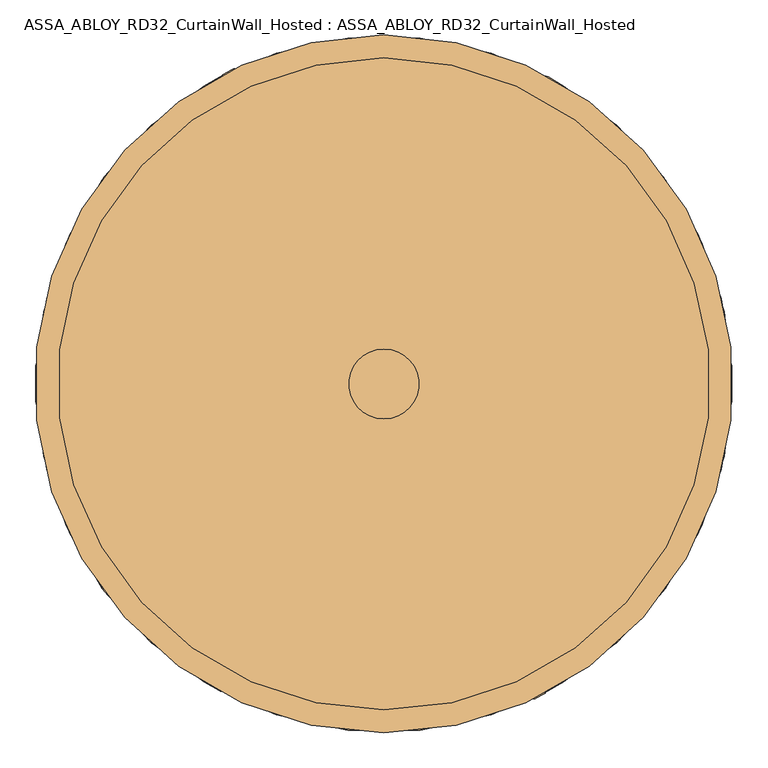
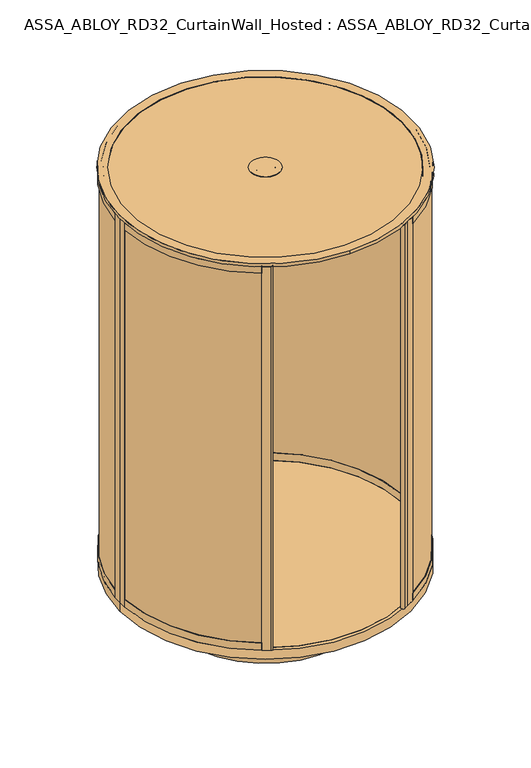
"""IFC4 building model written with IfcOpenShell, lengths in millimetres: door geometry, ASSA_ABLOY_RD32_CurtainWall_Hosted : ASSA_ABLOY_RD32_CurtainWall_Hosted."""

from ifc_helpers import new_model, si_unit, point, frame, frame_2d, origin, origin_with_axes, origin_2d, place, context, project, spatial, polyline, circle_curve, trimmed, segment, composite_curve, outline, extrude, source, transform, mapped, element, save
from ifc_brep_helpers import plane_surface, cylinder_surface, revolved_surface, advanced_brep


def assa_abloy_rd32_curtainwall_hosted_assa_abloy_rd32_2c2c71b7(model_context):
    return source(origin(), model_context, "Body", "SolidModel", [
        extrude(outline(composite_curve([segment(trimmed(circle_curve(origin_2d(), 989.0), [point((494.5, 856.4991243))], [point((988.4436781, 33.1676829))], False, "CARTESIAN"), True, "CONTINUOUS"), segment(polyline([(988.4436781, 33.1676829), (978.4493032, 32.8323171)]), True, "CONTINUOUS"), segment(trimmed(circle_curve(origin_2d(), 979.0), [point((978.4493032, 32.8323171))], [point((489.5, 847.8388703))], True, "CARTESIAN"), True, "CONTINUOUS"), segment(polyline([(489.5, 847.8388703), (494.5, 856.4991243)]), True, "CONTINUOUS")], self_intersect=False)), frame((0.0, 0.0, 33.0), z_axis=(0.0, 0.0, 1.0), x_axis=(1.0, 0.0, 0.0)), (0.0, 0.0, 1.0), 2715.0),
        extrude(outline(composite_curve([segment(trimmed(circle_curve(origin_2d(), 989.0), [point((988.4436781, -33.1676829))], [point((494.5, -856.4991243))], False, "CARTESIAN"), True, "CONTINUOUS"), segment(polyline([(494.5, -856.4991243), (489.5, -847.8388703)]), True, "CONTINUOUS"), segment(trimmed(circle_curve(origin_2d(), 979.0), [point((489.5, -847.8388703))], [point((978.4493032, -32.8323171))], True, "CARTESIAN"), True, "CONTINUOUS"), segment(polyline([(978.4493032, -32.8323171), (988.4436781, -33.1676829)]), True, "CONTINUOUS")], self_intersect=False)), frame((0.0, 0.0, 33.0), z_axis=(0.0, 0.0, 1.0), x_axis=(1.0, 0.0, 0.0)), (0.0, 0.0, 1.0), 2715.0),
        extrude(outline(composite_curve([segment(polyline([(496.9998179, -860.828936), (514.320326, -850.828936), (515.8201439, -853.4266969), (461.2605435, -884.9266969), (461.760545, -885.7927249), (435.7781998, -900.7936389)]), True, "CONTINUOUS"), segment(trimmed(circle_curve(frame_2d((428.7783803, -888.669596)), 13.9996389), [point((435.7781998, -900.7936389))], [point((421.7785609, -876.545553))], False, "CARTESIAN"), True, "CONTINUOUS"), segment(polyline([(421.7785609, -876.545553), (447.7609061, -861.544639), (448.2609076, -862.4106671), (502.8205081, -830.9106671), (504.320326, -833.5084279), (486.9998179, -843.5084279), (496.9998179, -860.828936)]), True, "CONTINUOUS")], self_intersect=False)), origin_with_axes(), (0.0, 0.0, 1.0), 2778.0),
        extrude(outline(composite_curve([segment(polyline([(496.9998179, 860.828936), (486.9998179, 843.5084279), (504.320326, 833.5084279), (502.8205081, 830.9106671), (457.7868716, 856.9108492)]), True, "CONTINUOUS"), segment(trimmed(circle_curve(frame_2d((464.2866895, 868.1688641)), 12.9996359), [point((457.7868716, 856.9108492))], [point((470.7865074, 879.426879))], False, "CARTESIAN"), True, "CONTINUOUS"), segment(polyline([(470.7865074, 879.426879), (515.8201439, 853.4266969), (514.320326, 850.828936), (496.9998179, 860.828936)]), True, "CONTINUOUS")], self_intersect=False)), origin_with_axes(), (0.0, 0.0, 1.0), 2778.0),
        advanced_brep(
        [(502.2711247, 831.0022366, 0.0), (502.2711247, 831.0022366, 53.0), (503.8229408, 833.5696998, 53.0), (503.8229408, 833.5696998, 33.0), (514.168381, 850.6861207, 33.0), (514.168381, 850.6861207, 53.0), (515.7201971, 853.2535838, 53.0), (515.7201971, 853.2535838, 0.0), (969.6270403, 51.6178536, 0.0), (995.5902772, 53.0, 0.0), (995.5902772, 53.0, 53.0), (992.5945191, 52.8405216, 53.0), (992.5945191, 52.8405216, 33.0), (972.6227984, 51.777332, 33.0), (972.6227984, 51.777332, 53.0), (969.6270403, 51.6178536, 53.0)],
        [
            (0, 1),
            (1, 2),
            (2, 3),
            (3, 4),
            (4, 5),
            (5, 6),
            (6, 7),
            (7, 0),
            (8, 9),
            (9, 10),
            (10, 11),
            (11, 12),
            (12, 13),
            (13, 14),
            (14, 15),
            (15, 8),
            (15, 1, circle_curve(frame((0.0, 0.0, 53.0), z_axis=(0.0, 0.0, 1.0), x_axis=(0.5172720131197738, 0.8558210469736162, 0.0)), 971.0)),
            (0, 8, circle_curve(frame((0.0, 0.0, 0.0), z_axis=(0.0, 0.0, -1.0), x_axis=(0.5172720131197738, 0.8558210469736162, 0.0)), 971.0)),
            (14, 2, circle_curve(frame((0.0, 0.0, 53.0), z_axis=(0.0, 0.0, 1.0), x_axis=(0.5172720131197738, 0.8558210469736162, 0.0)), 974.0)),
            (13, 3, circle_curve(frame((0.0, 0.0, 33.0), z_axis=(0.0, 0.0, 1.0), x_axis=(0.5172720131197738, 0.8558210469736162, 0.0)), 974.0)),
            (12, 4, circle_curve(frame((0.0, 0.0, 33.0), z_axis=(0.0, 0.0, 1.0), x_axis=(0.5172720131197738, 0.8558210469736162, 0.0)), 994.0)),
            (11, 5, circle_curve(frame((0.0, 0.0, 53.0), z_axis=(0.0, 0.0, 1.0), x_axis=(0.5172720131197738, 0.8558210469736162, 0.0)), 994.0)),
            (10, 6, circle_curve(frame((0.0, 0.0, 53.0), z_axis=(0.0, 0.0, 1.0), x_axis=(0.5172720131197738, 0.8558210469736162, 0.0)), 997.0)),
            (9, 7, circle_curve(frame((0.0, 0.0, 0.0), z_axis=(0.0, 0.0, 1.0), x_axis=(0.5172720131197738, 0.8558210469736162, 0.0)), 997.0)),
        ],
        [
            plane_surface(frame((515.7201971, 853.2535838, 0.0), z_axis=(-0.8558210469736162, 0.5172720131197739, 0.0), x_axis=(0.0, 0.0, 1.0))),
            plane_surface(frame((995.5902772, 53.0, 0.0), z_axis=(0.05315947843547908, -0.9985860352781166, 0.0), x_axis=(0.0, 0.0, 1.0))),
            revolved_surface(polyline([(502.2711247393003, 831.0022366113812, 0.0), (502.2711247393003, 831.0022366113812, 53.0)]), (0.0, 0.0, 0.0), (0.0, 0.0, -1.0)),
            plane_surface(frame((0.0, 0.0, 53.0), z_axis=(0.0, 0.0, 1.0000000000000002), x_axis=(0.5172720131197739, 0.8558210469736163, 0.0))),
            cylinder_surface(frame((0.0, 0.0, 0.0), z_axis=(0.0, 0.0, -1.0), x_axis=(0.5172720131197738, 0.8558210469736162, 0.0)), 974.0),
            plane_surface(frame((0.0, 0.0, 33.0), z_axis=(0.0, 0.0, 1.0000000000000002), x_axis=(0.5172720131197739, 0.8558210469736163, 0.0))),
            revolved_surface(polyline([(514.1683810410551, 850.6861206917745, 33.0), (514.1683810410551, 850.6861206917745, 53.0)]), (0.0, 0.0, 0.0), (0.0, 0.0, -1.0)),
            cylinder_surface(frame((0.0, 0.0, 0.0), z_axis=(0.0, 0.0, -1.0), x_axis=(0.5172720131197738, 0.8558210469736162, 0.0)), 997.0),
            plane_surface(frame((0.0, 0.0, 0.0), z_axis=(0.0, 0.0, -1.0000000000000002), x_axis=(0.5172720131197739, 0.8558210469736163, 0.0))),
        ],
        [
            (0, [[1, 2, 3, 4, 5, 6, 7, 8]]),
            (1, [[9, 10, 11, 12, 13, 14, 15, 16]]),
            (2, [[17, -1, 18, -16]]),
            (3, [[19, -2, -17, -15]]),
            (4, [[20, -3, -19, -14]]),
            (5, [[21, -4, -20, -13]]),
            (6, [[22, -5, -21, -12]]),
            (3, [[23, -6, -22, -11]]),
            (7, [[24, -7, -23, -10]]),
            (8, [[-18, -8, -24, -9]]),
        ],
    ),
        advanced_brep(
        [(969.6270403, 51.6178536, 2778.0), (969.6270403, 51.6178536, 2728.0), (972.6227984, 51.777332, 2728.0), (972.6227984, 51.777332, 2748.0), (992.5945191, 52.8405216, 2748.0), (992.5945191, 52.8405216, 2728.0), (995.5902772, 53.0, 2728.0), (995.5902772, 53.0, 2778.0), (502.2711247, 831.0022366, 2778.0), (515.7201971, 853.2535838, 2778.0), (515.7201971, 853.2535838, 2728.0), (514.168381, 850.6861207, 2728.0), (514.168381, 850.6861207, 2748.0), (503.8229408, 833.5696997, 2748.0), (503.8229408, 833.5696997, 2728.0), (502.2711247, 831.0022366, 2728.0)],
        [
            (0, 1),
            (1, 2),
            (2, 3),
            (3, 4),
            (4, 5),
            (5, 6),
            (6, 7),
            (7, 0),
            (8, 9),
            (9, 10),
            (10, 11),
            (11, 12),
            (12, 13),
            (13, 14),
            (14, 15),
            (15, 8),
            (15, 1, circle_curve(frame((0.0, 0.0, 2728.0), z_axis=(0.0, 0.0, -1.0), x_axis=(0.9985860352779897, 0.05315947843786122, 0.0)), 971.0)),
            (0, 8, circle_curve(frame((0.0, 0.0, 2778.0), z_axis=(0.0, 0.0, 1.0), x_axis=(0.9985860352779897, 0.05315947843786122, 0.0)), 971.0)),
            (14, 2, circle_curve(frame((0.0, 0.0, 2728.0), z_axis=(0.0, 0.0, -1.0), x_axis=(0.9985860352779897, 0.05315947843786122, 0.0)), 974.0)),
            (9, 7, circle_curve(frame((0.0, 0.0, 2778.0), z_axis=(0.0, 0.0, -1.0), x_axis=(0.9985860352779897, 0.05315947843786122, 0.0)), 997.0)),
            (6, 10, circle_curve(frame((0.0, 0.0, 2728.0), z_axis=(0.0, 0.0, 1.0), x_axis=(0.9985860352779897, 0.05315947843786122, 0.0)), 997.0)),
            (13, 3, circle_curve(frame((0.0, 0.0, 2748.0), z_axis=(0.0, 0.0, -1.0), x_axis=(0.9985860352779897, 0.05315947843786122, 0.0)), 974.0)),
            (12, 4, circle_curve(frame((0.0, 0.0, 2748.0), z_axis=(0.0, 0.0, -1.0), x_axis=(0.9985860352779897, 0.05315947843786122, 0.0)), 994.0)),
            (11, 5, circle_curve(frame((0.0, 0.0, 2728.0), z_axis=(0.0, 0.0, -1.0), x_axis=(0.9985860352779897, 0.05315947843786122, 0.0)), 994.0)),
        ],
        [
            plane_surface(frame((995.5902772, 53.0, 2778.0), z_axis=(0.053159478437861236, -0.9985860352779897, 0.0), x_axis=(0.0, 0.0, 1.0))),
            plane_surface(frame((515.7201971, 853.2535838, 2778.0), z_axis=(-0.855821046973346, 0.5172720131202209, 0.0), x_axis=(0.0, 0.0, 1.0))),
            revolved_surface(polyline([(969.627040254928, 51.617853563163244, 2778.0), (969.627040254928, 51.617853563163244, 2728.0)]), (0.0, 0.0, 2778.0), (0.0, 0.0, 1.0)),
            plane_surface(frame((0.0, 0.0, 2728.0), z_axis=(0.0, 0.0, -1.0), x_axis=(0.9985860352779897, 0.05315947843786122, 0.0))),
            cylinder_surface(frame((0.0, 0.0, 2778.0), z_axis=(0.0, 0.0, 1.0), x_axis=(0.9985860352779897, 0.05315947843786122, 0.0)), 997.0),
            plane_surface(frame((0.0, 0.0, 2778.0), z_axis=(0.0, 0.0, 1.0), x_axis=(0.9985860352779897, 0.05315947843786122, 0.0))),
            cylinder_surface(frame((0.0, 0.0, 2778.0), z_axis=(0.0, 0.0, 1.0), x_axis=(0.9985860352779897, 0.05315947843786122, 0.0)), 974.0),
            plane_surface(frame((0.0, 0.0, 2748.0), z_axis=(0.0, 0.0, -1.0), x_axis=(0.9985860352779897, 0.05315947843786122, 0.0))),
            revolved_surface(polyline([(992.5945190663218, 52.840521567234056, 2748.0), (992.5945190663218, 52.840521567234056, 2728.0)]), (0.0, 0.0, 2778.0), (0.0, 0.0, 1.0)),
        ],
        [
            (0, [[1, 2, 3, 4, 5, 6, 7, 8]]),
            (1, [[9, 10, 11, 12, 13, 14, 15, 16]]),
            (2, [[17, -1, 18, -16]]),
            (3, [[19, -2, -17, -15]]),
            (4, [[20, -7, 21, -10]]),
            (5, [[-18, -8, -20, -9]]),
            (6, [[22, -3, -19, -14]]),
            (7, [[23, -4, -22, -13]]),
            (8, [[24, -5, -23, -12]]),
            (3, [[-21, -6, -24, -11]]),
        ],
    ),
        extrude(outline(polyline([(997.0, 0.0), (971.0, 0.0), (971.0, 53.0), (974.0, 53.0), (974.0, 33.0), (994.0, 33.0), (994.0, 53.0), (997.0, 53.0), (997.0, 0.0)])), origin_with_axes(), (0.0, 0.0, 1.0), 2778.0),
        advanced_brep(
        [(502.2711247, -831.0022366, 0.0), (515.7201971, -853.2535838, 0.0), (515.7201971, -853.2535838, 53.0), (514.168381, -850.6861207, 53.0), (514.168381, -850.6861207, 33.0), (503.8229408, -833.5696998, 33.0), (503.8229408, -833.5696998, 53.0), (502.2711247, -831.0022366, 53.0), (969.6270403, -51.6178536, 0.0), (969.6270403, -51.6178536, 53.0), (972.6227984, -51.777332, 53.0), (972.6227984, -51.777332, 33.0), (992.5945191, -52.8405216, 33.0), (992.5945191, -52.8405216, 53.0), (995.5902772, -53.0, 53.0), (995.5902772, -53.0, 0.0)],
        [
            (0, 1),
            (1, 2),
            (2, 3),
            (3, 4),
            (4, 5),
            (5, 6),
            (6, 7),
            (7, 0),
            (8, 9),
            (9, 10),
            (10, 11),
            (11, 12),
            (12, 13),
            (13, 14),
            (14, 15),
            (15, 8),
            (8, 0, circle_curve(frame((0.0, 0.0, 0.0), z_axis=(0.0, 0.0, -1.0), x_axis=(0.5172720131195371, -0.8558210469737593, 0.0)), 971.0)),
            (7, 9, circle_curve(frame((0.0, 0.0, 53.0), z_axis=(0.0, 0.0, 1.0), x_axis=(0.5172720131195371, -0.8558210469737593, 0.0)), 971.0)),
            (6, 10, circle_curve(frame((0.0, 0.0, 53.0), z_axis=(0.0, 0.0, 1.0), x_axis=(0.5172720131195371, -0.8558210469737593, 0.0)), 974.0)),
            (5, 11, circle_curve(frame((0.0, 0.0, 33.0), z_axis=(0.0, 0.0, 1.0), x_axis=(0.5172720131195371, -0.8558210469737593, 0.0)), 974.0)),
            (4, 12, circle_curve(frame((0.0, 0.0, 33.0), z_axis=(0.0, 0.0, 1.0), x_axis=(0.5172720131195371, -0.8558210469737593, 0.0)), 994.0)),
            (3, 13, circle_curve(frame((0.0, 0.0, 53.0), z_axis=(0.0, 0.0, 1.0), x_axis=(0.5172720131195371, -0.8558210469737593, 0.0)), 994.0)),
            (2, 14, circle_curve(frame((0.0, 0.0, 53.0), z_axis=(0.0, 0.0, 1.0), x_axis=(0.5172720131195371, -0.8558210469737593, 0.0)), 997.0)),
            (1, 15, circle_curve(frame((0.0, 0.0, 0.0), z_axis=(0.0, 0.0, 1.0), x_axis=(0.5172720131195371, -0.8558210469737593, 0.0)), 997.0)),
        ],
        [
            plane_surface(frame((515.7201971, -853.2535838, 0.0), z_axis=(-0.8558210469737594, -0.5172720131195372, 0.0), x_axis=(0.0, 0.0, 1.0))),
            plane_surface(frame((995.5902772, -53.0, 0.0), z_axis=(0.053159478435714, 0.9985860352781041, 0.0), x_axis=(0.0, 0.0, 1.0))),
            revolved_surface(polyline([(502.2711247390705, -831.0022366115203, 53.0), (502.2711247390705, -831.0022366115203, 0.0)]), (0.0, 0.0, 0.0), (0.0, 0.0, 1.0)),
            plane_surface(frame((0.0, 0.0, 53.0), z_axis=(0.0, 0.0, 1.0), x_axis=(0.5172720131195371, -0.8558210469737593, 0.0))),
            cylinder_surface(frame((0.0, 0.0, 0.0), z_axis=(0.0, 0.0, 1.0), x_axis=(0.5172720131195371, -0.8558210469737593, 0.0)), 974.0),
            plane_surface(frame((0.0, 0.0, 33.0), z_axis=(0.0, 0.0, 1.0), x_axis=(0.5172720131195371, -0.8558210469737593, 0.0))),
            revolved_surface(polyline([(514.1683810408199, -850.6861206919167, 53.0), (514.1683810408199, -850.6861206919167, 33.0)]), (0.0, 0.0, 0.0), (0.0, 0.0, 1.0)),
            cylinder_surface(frame((0.0, 0.0, 0.0), z_axis=(0.0, 0.0, 1.0), x_axis=(0.5172720131195371, -0.8558210469737593, 0.0)), 997.0),
            plane_surface(frame((0.0, 0.0, 0.0), z_axis=(0.0, 0.0, -1.0), x_axis=(0.5172720131195371, -0.8558210469737593, 0.0))),
        ],
        [
            (0, [[1, 2, 3, 4, 5, 6, 7, 8]]),
            (1, [[9, 10, 11, 12, 13, 14, 15, 16]]),
            (2, [[17, -8, 18, -9]]),
            (3, [[-18, -7, 19, -10]]),
            (4, [[-19, -6, 20, -11]]),
            (5, [[-20, -5, 21, -12]]),
            (6, [[-21, -4, 22, -13]]),
            (3, [[-22, -3, 23, -14]]),
            (7, [[-23, -2, 24, -15]]),
            (8, [[-24, -1, -17, -16]]),
        ],
    ),
        advanced_brep(
        [(969.6270403, -51.6178536, 2778.0), (995.5902772, -53.0, 2778.0), (995.5902772, -53.0, 2728.0), (992.5945191, -52.8405216, 2728.0), (992.5945191, -52.8405216, 2748.0), (972.6227984, -51.777332, 2748.0), (972.6227984, -51.777332, 2728.0), (969.6270403, -51.6178536, 2728.0), (502.2711247, -831.0022366, 2778.0), (502.2711247, -831.0022366, 2728.0), (503.8229408, -833.5696998, 2728.0), (503.8229408, -833.5696998, 2748.0), (514.168381, -850.6861207, 2748.0), (514.168381, -850.6861207, 2728.0), (515.7201971, -853.2535838, 2728.0), (515.7201971, -853.2535838, 2778.0)],
        [
            (0, 1),
            (1, 2),
            (2, 3),
            (3, 4),
            (4, 5),
            (5, 6),
            (6, 7),
            (7, 0),
            (8, 9),
            (9, 10),
            (10, 11),
            (11, 12),
            (12, 13),
            (13, 14),
            (14, 15),
            (15, 8),
            (8, 0, circle_curve(frame((0.0, 0.0, 2778.0), z_axis=(0.0, 0.0, 1.0), x_axis=(0.998586035278285, -0.05315947843231441, 0.0)), 971.0)),
            (7, 9, circle_curve(frame((0.0, 0.0, 2728.0), z_axis=(0.0, 0.0, -1.0), x_axis=(0.998586035278285, -0.05315947843231441, 0.0)), 971.0)),
            (6, 10, circle_curve(frame((0.0, 0.0, 2728.0), z_axis=(0.0, 0.0, -1.0), x_axis=(0.998586035278285, -0.05315947843231441, 0.0)), 974.0)),
            (14, 2, circle_curve(frame((0.0, 0.0, 2728.0), z_axis=(0.0, 0.0, 1.0), x_axis=(0.998586035278285, -0.05315947843231441, 0.0)), 997.0)),
            (1, 15, circle_curve(frame((0.0, 0.0, 2778.0), z_axis=(0.0, 0.0, -1.0), x_axis=(0.998586035278285, -0.05315947843231441, 0.0)), 997.0)),
            (5, 11, circle_curve(frame((0.0, 0.0, 2748.0), z_axis=(0.0, 0.0, -1.0), x_axis=(0.998586035278285, -0.05315947843231441, 0.0)), 974.0)),
            (4, 12, circle_curve(frame((0.0, 0.0, 2748.0), z_axis=(0.0, 0.0, -1.0), x_axis=(0.998586035278285, -0.05315947843231441, 0.0)), 994.0)),
            (3, 13, circle_curve(frame((0.0, 0.0, 2728.0), z_axis=(0.0, 0.0, -1.0), x_axis=(0.998586035278285, -0.05315947843231441, 0.0)), 994.0)),
        ],
        [
            plane_surface(frame((995.5902772, -53.0, 2778.0), z_axis=(0.053159478432314444, 0.998586035278285, 0.0), x_axis=(0.0, 0.0, 1.0))),
            plane_surface(frame((515.7201971, -853.2535838, 2778.0), z_axis=(-0.8558210469721426, -0.517272013122212, 0.0), x_axis=(0.0, 0.0, 1.0))),
            revolved_surface(polyline([(969.6270402552148, -51.617853557777295, 2728.0), (969.6270402552148, -51.617853557777295, 2778.0)]), (0.0, 0.0, 2778.0), (0.0, 0.0, -1.0)),
            plane_surface(frame((0.0, 0.0, 2728.0), z_axis=(0.0, 0.0, -1.0), x_axis=(0.998586035278285, -0.05315947843231441, 0.0))),
            cylinder_surface(frame((0.0, 0.0, 2778.0), z_axis=(0.0, 0.0, -1.0), x_axis=(0.998586035278285, -0.05315947843231441, 0.0)), 997.0),
            plane_surface(frame((0.0, 0.0, 2778.0), z_axis=(0.0, 0.0, 1.0), x_axis=(0.998586035278285, -0.05315947843231441, 0.0))),
            cylinder_surface(frame((0.0, 0.0, 2778.0), z_axis=(0.0, 0.0, -1.0), x_axis=(0.998586035278285, -0.05315947843231441, 0.0)), 974.0),
            plane_surface(frame((0.0, 0.0, 2748.0), z_axis=(0.0, 0.0, -1.0), x_axis=(0.998586035278285, -0.05315947843231441, 0.0))),
            revolved_surface(polyline([(992.5945190666154, -52.84052156172052, 2728.0), (992.5945190666154, -52.84052156172052, 2748.0)]), (0.0, 0.0, 2778.0), (0.0, 0.0, -1.0)),
        ],
        [
            (0, [[1, 2, 3, 4, 5, 6, 7, 8]]),
            (1, [[9, 10, 11, 12, 13, 14, 15, 16]]),
            (2, [[17, -8, 18, -9]]),
            (3, [[-18, -7, 19, -10]]),
            (4, [[20, -2, 21, -15]]),
            (5, [[-21, -1, -17, -16]]),
            (6, [[-19, -6, 22, -11]]),
            (7, [[-22, -5, 23, -12]]),
            (8, [[-23, -4, 24, -13]]),
            (3, [[-24, -3, -20, -14]]),
        ],
    ),
        extrude(outline(polyline([(997.0, 0.0), (997.0, -53.0), (994.0, -53.0), (994.0, -33.0), (974.0, -33.0), (974.0, -53.0), (971.0, -53.0), (971.0, 0.0), (997.0, 0.0)])), origin_with_axes(), (0.0, 0.0, 1.0), 2778.0),
        extrude(outline(composite_curve([segment(trimmed(circle_curve(origin_2d(), 979.0), [point((-489.5, 847.8388703))], [point((-979.0, 0.0))], True, "CARTESIAN"), True, "CONTINUOUS"), segment(polyline([(-979.0, 0.0), (-989.0, 0.0)]), True, "CONTINUOUS"), segment(trimmed(circle_curve(origin_2d(), 989.0), [point((-989.0, 0.0))], [point((-494.5, 856.4991243))], False, "CARTESIAN"), True, "CONTINUOUS"), segment(polyline([(-494.5, 856.4991243), (-489.5, 847.8388703)]), True, "CONTINUOUS")], self_intersect=False)), frame((0.0, 0.0, 33.0), z_axis=(0.0, 0.0, 1.0), x_axis=(1.0, 0.0, 0.0)), (0.0, 0.0, 1.0), 2715.0),
        advanced_brep(
        [(-502.2711247, 831.0022366, 0.0), (-515.7201971, 853.2535838, 0.0), (-515.7201971, 853.2535838, 53.0), (-514.168381, 850.6861207, 53.0), (-514.168381, 850.6861207, 33.0), (-503.8229408, 833.5696998, 33.0), (-503.8229408, 833.5696998, 53.0), (-502.2711247, 831.0022366, 53.0), (-969.6270403, 51.6178536, 0.0), (-969.6270403, 51.6178536, 53.0), (-972.6227984, 51.777332, 53.0), (-972.6227984, 51.777332, 33.0), (-992.5945191, 52.8405216, 33.0), (-992.5945191, 52.8405216, 53.0), (-995.5902772, 53.0, 53.0), (-995.5902772, 53.0, 0.0)],
        [
            (0, 1),
            (1, 2),
            (2, 3),
            (3, 4),
            (4, 5),
            (5, 6),
            (6, 7),
            (7, 0),
            (8, 9),
            (9, 10),
            (10, 11),
            (11, 12),
            (12, 13),
            (13, 14),
            (14, 15),
            (15, 8),
            (8, 0, circle_curve(frame((0.0, 0.0, 0.0), z_axis=(0.0, 0.0, -1.0), x_axis=(-0.5172720131199363, 0.8558210469735179, 0.0)), 971.0)),
            (7, 9, circle_curve(frame((0.0, 0.0, 53.0), z_axis=(0.0, 0.0, 1.0), x_axis=(-0.5172720131199363, 0.8558210469735179, 0.0)), 971.0)),
            (6, 10, circle_curve(frame((0.0, 0.0, 53.0), z_axis=(0.0, 0.0, 1.0), x_axis=(-0.5172720131199363, 0.8558210469735179, 0.0)), 974.0)),
            (5, 11, circle_curve(frame((0.0, 0.0, 33.0), z_axis=(0.0, 0.0, 1.0), x_axis=(-0.5172720131199363, 0.8558210469735179, 0.0)), 974.0)),
            (4, 12, circle_curve(frame((0.0, 0.0, 33.0), z_axis=(0.0, 0.0, 1.0), x_axis=(-0.5172720131199363, 0.8558210469735179, 0.0)), 994.0)),
            (3, 13, circle_curve(frame((0.0, 0.0, 53.0), z_axis=(0.0, 0.0, 1.0), x_axis=(-0.5172720131199363, 0.8558210469735179, 0.0)), 994.0)),
            (2, 14, circle_curve(frame((0.0, 0.0, 53.0), z_axis=(0.0, 0.0, 1.0), x_axis=(-0.5172720131199363, 0.8558210469735179, 0.0)), 997.0)),
            (1, 15, circle_curve(frame((0.0, 0.0, 0.0), z_axis=(0.0, 0.0, 1.0), x_axis=(-0.5172720131199363, 0.8558210469735179, 0.0)), 997.0)),
        ],
        [
            plane_surface(frame((-515.7201971, 853.2535838, 0.0), z_axis=(0.855821046973518, 0.5172720131199363, 0.0), x_axis=(0.0, 0.0, 1.0))),
            plane_surface(frame((-995.5902772, 53.0, 0.0), z_axis=(-0.0531594784350477, -0.9985860352781395, 0.0), x_axis=(0.0, 0.0, 1.0))),
            revolved_surface(polyline([(-502.2711247394582, 831.0022366112859, 53.0), (-502.2711247394582, 831.0022366112859, 0.0)]), (0.0, 0.0, 0.0), (0.0, 0.0, 1.0)),
            plane_surface(frame((0.0, 0.0, 53.0), z_axis=(0.0, 0.0, 1.0000000000000002), x_axis=(-0.5172720131199364, 0.855821046973518, 0.0))),
            cylinder_surface(frame((0.0, 0.0, 0.0), z_axis=(0.0, 0.0, 1.0), x_axis=(-0.5172720131199363, 0.8558210469735179, 0.0)), 974.0),
            plane_surface(frame((0.0, 0.0, 33.0), z_axis=(0.0, 0.0, 1.0000000000000002), x_axis=(-0.5172720131199364, 0.855821046973518, 0.0))),
            revolved_surface(polyline([(-514.1683810412167, 850.6861206916768, 53.0), (-514.1683810412167, 850.6861206916768, 33.0)]), (0.0, 0.0, 0.0), (0.0, 0.0, 1.0)),
            cylinder_surface(frame((0.0, 0.0, 0.0), z_axis=(0.0, 0.0, 1.0), x_axis=(-0.5172720131199363, 0.8558210469735179, 0.0)), 997.0),
            plane_surface(frame((0.0, 0.0, 0.0), z_axis=(0.0, 0.0, -1.0000000000000002), x_axis=(-0.5172720131199364, 0.855821046973518, 0.0))),
        ],
        [
            (0, [[1, 2, 3, 4, 5, 6, 7, 8]]),
            (1, [[9, 10, 11, 12, 13, 14, 15, 16]]),
            (2, [[17, -8, 18, -9]]),
            (3, [[-18, -7, 19, -10]]),
            (4, [[-19, -6, 20, -11]]),
            (5, [[-20, -5, 21, -12]]),
            (6, [[-21, -4, 22, -13]]),
            (3, [[-22, -3, 23, -14]]),
            (7, [[-23, -2, 24, -15]]),
            (8, [[-24, -1, -17, -16]]),
        ],
    ),
        advanced_brep(
        [(-969.6270403, 51.6178536, 2778.0), (-995.5902772, 53.0, 2778.0), (-995.5902772, 53.0, 2728.0), (-992.5945191, 52.8405216, 2728.0), (-992.5945191, 52.8405216, 2748.0), (-972.6227984, 51.777332, 2748.0), (-972.6227984, 51.777332, 2728.0), (-969.6270403, 51.6178536, 2728.0), (-502.2711247, 831.0022366, 2778.0), (-502.2711247, 831.0022366, 2728.0), (-503.8229408, 833.5696998, 2728.0), (-503.8229408, 833.5696998, 2748.0), (-514.168381, 850.6861207, 2748.0), (-514.168381, 850.6861207, 2728.0), (-515.7201971, 853.2535838, 2728.0), (-515.7201971, 853.2535838, 2778.0)],
        [
            (0, 1),
            (1, 2),
            (2, 3),
            (3, 4),
            (4, 5),
            (5, 6),
            (6, 7),
            (7, 0),
            (8, 9),
            (9, 10),
            (10, 11),
            (11, 12),
            (12, 13),
            (13, 14),
            (14, 15),
            (15, 8),
            (8, 0, circle_curve(frame((0.0, 0.0, 2778.0), z_axis=(0.0, 0.0, 1.0), x_axis=(-0.9985860352779593, 0.053159478438433744, 0.0)), 971.0)),
            (7, 9, circle_curve(frame((0.0, 0.0, 2728.0), z_axis=(0.0, 0.0, -1.0), x_axis=(-0.9985860352779593, 0.053159478438433744, 0.0)), 971.0)),
            (6, 10, circle_curve(frame((0.0, 0.0, 2728.0), z_axis=(0.0, 0.0, -1.0), x_axis=(-0.9985860352779593, 0.053159478438433744, 0.0)), 974.0)),
            (14, 2, circle_curve(frame((0.0, 0.0, 2728.0), z_axis=(0.0, 0.0, 1.0), x_axis=(-0.9985860352779593, 0.053159478438433744, 0.0)), 997.0)),
            (1, 15, circle_curve(frame((0.0, 0.0, 2778.0), z_axis=(0.0, 0.0, -1.0), x_axis=(-0.9985860352779593, 0.053159478438433744, 0.0)), 997.0)),
            (5, 11, circle_curve(frame((0.0, 0.0, 2748.0), z_axis=(0.0, 0.0, -1.0), x_axis=(-0.9985860352779593, 0.053159478438433744, 0.0)), 974.0)),
            (4, 12, circle_curve(frame((0.0, 0.0, 2748.0), z_axis=(0.0, 0.0, -1.0), x_axis=(-0.9985860352779593, 0.053159478438433744, 0.0)), 994.0)),
            (3, 13, circle_curve(frame((0.0, 0.0, 2728.0), z_axis=(0.0, 0.0, -1.0), x_axis=(-0.9985860352779593, 0.053159478438433744, 0.0)), 994.0)),
        ],
        [
            plane_surface(frame((-995.5902772, 53.0, 2778.0), z_axis=(-0.05315947843843367, -0.9985860352779593, 0.0), x_axis=(0.0, 0.0, 1.0))),
            plane_surface(frame((-515.7201971, 853.2535838, 2778.0), z_axis=(0.855821046975163, 0.5172720131172146, 0.0), x_axis=(0.0, 0.0, 1.0))),
            revolved_surface(polyline([(-969.6270402548985, 51.617853563719166, 2728.0), (-969.6270402548985, 51.617853563719166, 2778.0)]), (0.0, 0.0, 2778.0), (0.0, 0.0, -1.0)),
            plane_surface(frame((0.0, 0.0, 2728.0), z_axis=(0.0, 0.0, -1.0), x_axis=(-0.9985860352779593, 0.053159478438433744, 0.0))),
            cylinder_surface(frame((0.0, 0.0, 2778.0), z_axis=(0.0, 0.0, -1.0), x_axis=(-0.9985860352779593, 0.053159478438433744, 0.0)), 997.0),
            plane_surface(frame((0.0, 0.0, 2778.0), z_axis=(0.0, 0.0, 1.0), x_axis=(-0.9985860352779593, 0.053159478438433744, 0.0))),
            cylinder_surface(frame((0.0, 0.0, 2778.0), z_axis=(0.0, 0.0, -1.0), x_axis=(-0.9985860352779593, 0.053159478438433744, 0.0)), 974.0),
            plane_surface(frame((0.0, 0.0, 2748.0), z_axis=(0.0, 0.0, -1.0), x_axis=(-0.9985860352779593, 0.053159478438433744, 0.0))),
            revolved_surface(polyline([(-992.5945190662916, 52.840521567803144, 2728.0), (-992.5945190662916, 52.840521567803144, 2748.0)]), (0.0, 0.0, 2778.0), (0.0, 0.0, -1.0)),
        ],
        [
            (0, [[1, 2, 3, 4, 5, 6, 7, 8]]),
            (1, [[9, 10, 11, 12, 13, 14, 15, 16]]),
            (2, [[17, -8, 18, -9]]),
            (3, [[-18, -7, 19, -10]]),
            (4, [[20, -2, 21, -15]]),
            (5, [[-21, -1, -17, -16]]),
            (6, [[-19, -6, 22, -11]]),
            (7, [[-22, -5, 23, -12]]),
            (8, [[-23, -4, 24, -13]]),
            (3, [[-24, -3, -20, -14]]),
        ],
    ),
        extrude(outline(composite_curve([segment(polyline([(-496.9998179, 860.828936), (-514.320326, 850.828936), (-515.8201439, 853.4266969), (-461.2605435, 884.9266969), (-461.760545, 885.7927249), (-435.7781998, 900.7936389)]), True, "CONTINUOUS"), segment(trimmed(circle_curve(frame_2d((-428.7783803, 888.669596)), 13.9996389), [point((-435.7781998, 900.7936389))], [point((-421.7785609, 876.545553))], False, "CARTESIAN"), True, "CONTINUOUS"), segment(polyline([(-421.7785609, 876.545553), (-447.7609061, 861.544639), (-448.2609076, 862.4106671), (-502.8205081, 830.9106671), (-504.320326, 833.5084279), (-486.9998179, 843.5084279), (-496.9998179, 860.828936)]), True, "CONTINUOUS")], self_intersect=False)), origin_with_axes(), (0.0, 0.0, 1.0), 2778.0),
        extrude(outline(polyline([(-997.0, 0.0), (-997.0, 53.0), (-994.0, 53.0), (-994.0, 33.0), (-974.0, 33.0), (-974.0, 53.0), (-971.0, 53.0), (-971.0, 0.0), (-997.0, 0.0)])), origin_with_axes(), (0.0, 0.0, 1.0), 2778.0),
        extrude(outline(composite_curve([segment(trimmed(circle_curve(origin_2d(), 989.0), [point((-494.5, -856.4991243))], [point((-988.4436781, -33.1676829))], False, "CARTESIAN"), True, "CONTINUOUS"), segment(polyline([(-988.4436781, -33.1676829), (-978.4493032, -32.8323171)]), True, "CONTINUOUS"), segment(trimmed(circle_curve(origin_2d(), 979.0), [point((-978.4493032, -32.8323171))], [point((-489.5, -847.8388703))], True, "CARTESIAN"), True, "CONTINUOUS"), segment(polyline([(-489.5, -847.8388703), (-494.5, -856.4991243)]), True, "CONTINUOUS")], self_intersect=False)), frame((0.0, 0.0, 33.0), z_axis=(0.0, 0.0, 1.0), x_axis=(1.0, 0.0, 0.0)), (0.0, 0.0, 1.0), 2715.0),
        advanced_brep(
        [(-502.2711247, -831.0022366, 0.0), (-502.2711247, -831.0022366, 53.0), (-503.8229408, -833.5696998, 53.0), (-503.8229408, -833.5696998, 33.0), (-514.168381, -850.6861207, 33.0), (-514.168381, -850.6861207, 53.0), (-515.7201971, -853.2535838, 53.0), (-515.7201971, -853.2535838, 0.0), (-969.6270403, -51.6178536, 0.0), (-995.5902772, -53.0, 0.0), (-995.5902772, -53.0, 53.0), (-992.5945191, -52.8405216, 53.0), (-992.5945191, -52.8405216, 33.0), (-972.6227984, -51.777332, 33.0), (-972.6227984, -51.777332, 53.0), (-969.6270403, -51.6178536, 53.0)],
        [
            (0, 1),
            (1, 2),
            (2, 3),
            (3, 4),
            (4, 5),
            (5, 6),
            (6, 7),
            (7, 0),
            (8, 9),
            (9, 10),
            (10, 11),
            (11, 12),
            (12, 13),
            (13, 14),
            (14, 15),
            (15, 8),
            (15, 1, circle_curve(frame((0.0, 0.0, 53.0), z_axis=(0.0, 0.0, 1.0), x_axis=(-0.5172720131195626, -0.8558210469737438, 0.0)), 971.0)),
            (0, 8, circle_curve(frame((0.0, 0.0, 0.0), z_axis=(0.0, 0.0, -1.0), x_axis=(-0.5172720131195626, -0.8558210469737438, 0.0)), 971.0)),
            (14, 2, circle_curve(frame((0.0, 0.0, 53.0), z_axis=(0.0, 0.0, 1.0), x_axis=(-0.5172720131195626, -0.8558210469737438, 0.0)), 974.0)),
            (13, 3, circle_curve(frame((0.0, 0.0, 33.0), z_axis=(0.0, 0.0, 1.0), x_axis=(-0.5172720131195626, -0.8558210469737438, 0.0)), 974.0)),
            (12, 4, circle_curve(frame((0.0, 0.0, 33.0), z_axis=(0.0, 0.0, 1.0), x_axis=(-0.5172720131195626, -0.8558210469737438, 0.0)), 994.0)),
            (11, 5, circle_curve(frame((0.0, 0.0, 53.0), z_axis=(0.0, 0.0, 1.0), x_axis=(-0.5172720131195626, -0.8558210469737438, 0.0)), 994.0)),
            (10, 6, circle_curve(frame((0.0, 0.0, 53.0), z_axis=(0.0, 0.0, 1.0), x_axis=(-0.5172720131195626, -0.8558210469737438, 0.0)), 997.0)),
            (9, 7, circle_curve(frame((0.0, 0.0, 0.0), z_axis=(0.0, 0.0, 1.0), x_axis=(-0.5172720131195626, -0.8558210469737438, 0.0)), 997.0)),
        ],
        [
            plane_surface(frame((-515.7201971, -853.2535838, 0.0), z_axis=(0.8558210469737437, -0.5172720131195627, 0.0), x_axis=(0.0, 0.0, 1.0))),
            plane_surface(frame((-995.5902772, -53.0, 0.0), z_axis=(-0.05315947843606917, 0.9985860352780852, 0.0), x_axis=(0.0, 0.0, 1.0))),
            revolved_surface(polyline([(-502.2711247390953, -831.0022366115053, 0.0), (-502.2711247390953, -831.0022366115053, 53.0)]), (0.0, 0.0, 0.0), (0.0, 0.0, -1.0)),
            plane_surface(frame((0.0, 0.0, 53.0), z_axis=(0.0, 0.0, 1.0), x_axis=(-0.5172720131195626, -0.8558210469737438, 0.0))),
            cylinder_surface(frame((0.0, 0.0, 0.0), z_axis=(0.0, 0.0, -1.0), x_axis=(-0.5172720131195626, -0.8558210469737438, 0.0)), 974.0),
            plane_surface(frame((0.0, 0.0, 33.0), z_axis=(0.0, 0.0, 1.0), x_axis=(-0.5172720131195626, -0.8558210469737438, 0.0))),
            revolved_surface(polyline([(-514.1683810408452, -850.6861206919014, 33.0), (-514.1683810408452, -850.6861206919014, 53.0)]), (0.0, 0.0, 0.0), (0.0, 0.0, -1.0)),
            cylinder_surface(frame((0.0, 0.0, 0.0), z_axis=(0.0, 0.0, -1.0), x_axis=(-0.5172720131195626, -0.8558210469737438, 0.0)), 997.0),
            plane_surface(frame((0.0, 0.0, 0.0), z_axis=(0.0, 0.0, -1.0), x_axis=(-0.5172720131195626, -0.8558210469737438, 0.0))),
        ],
        [
            (0, [[1, 2, 3, 4, 5, 6, 7, 8]]),
            (1, [[9, 10, 11, 12, 13, 14, 15, 16]]),
            (2, [[17, -1, 18, -16]]),
            (3, [[19, -2, -17, -15]]),
            (4, [[20, -3, -19, -14]]),
            (5, [[21, -4, -20, -13]]),
            (6, [[22, -5, -21, -12]]),
            (3, [[23, -6, -22, -11]]),
            (7, [[24, -7, -23, -10]]),
            (8, [[-18, -8, -24, -9]]),
        ],
    ),
        advanced_brep(
        [(-969.6270403, -51.6178536, 2778.0), (-969.6270403, -51.6178536, 2728.0), (-972.6227984, -51.777332, 2728.0), (-972.6227984, -51.777332, 2748.0), (-992.5945191, -52.8405216, 2748.0), (-992.5945191, -52.8405216, 2728.0), (-995.5902772, -53.0, 2728.0), (-995.5902772, -53.0, 2778.0), (-502.2711247, -831.0022366, 2778.0), (-515.7201971, -853.2535838, 2778.0), (-515.7201971, -853.2535838, 2728.0), (-514.168381, -850.6861207, 2728.0), (-514.168381, -850.6861207, 2748.0), (-503.8229408, -833.5696998, 2748.0), (-503.8229408, -833.5696998, 2728.0), (-502.2711247, -831.0022366, 2728.0)],
        [
            (0, 1),
            (1, 2),
            (2, 3),
            (3, 4),
            (4, 5),
            (5, 6),
            (6, 7),
            (7, 0),
            (8, 9),
            (9, 10),
            (10, 11),
            (11, 12),
            (12, 13),
            (13, 14),
            (14, 15),
            (15, 8),
            (15, 1, circle_curve(frame((0.0, 0.0, 2728.0), z_axis=(0.0, 0.0, -1.0), x_axis=(-0.9985860352782294, -0.05315947843335961, 0.0)), 971.0)),
            (0, 8, circle_curve(frame((0.0, 0.0, 2778.0), z_axis=(0.0, 0.0, 1.0), x_axis=(-0.9985860352782294, -0.05315947843335961, 0.0)), 971.0)),
            (14, 2, circle_curve(frame((0.0, 0.0, 2728.0), z_axis=(0.0, 0.0, -1.0), x_axis=(-0.9985860352782294, -0.05315947843335961, 0.0)), 974.0)),
            (9, 7, circle_curve(frame((0.0, 0.0, 2778.0), z_axis=(0.0, 0.0, -1.0), x_axis=(-0.9985860352782294, -0.05315947843335961, 0.0)), 997.0)),
            (6, 10, circle_curve(frame((0.0, 0.0, 2728.0), z_axis=(0.0, 0.0, 1.0), x_axis=(-0.9985860352782294, -0.05315947843335961, 0.0)), 997.0)),
            (13, 3, circle_curve(frame((0.0, 0.0, 2748.0), z_axis=(0.0, 0.0, -1.0), x_axis=(-0.9985860352782294, -0.05315947843335961, 0.0)), 974.0)),
            (12, 4, circle_curve(frame((0.0, 0.0, 2748.0), z_axis=(0.0, 0.0, -1.0), x_axis=(-0.9985860352782294, -0.05315947843335961, 0.0)), 994.0)),
            (11, 5, circle_curve(frame((0.0, 0.0, 2728.0), z_axis=(0.0, 0.0, -1.0), x_axis=(-0.9985860352782294, -0.05315947843335961, 0.0)), 994.0)),
        ],
        [
            plane_surface(frame((-995.5902772, -53.0, 2778.0), z_axis=(-0.05315947843335955, 0.9985860352782294, 0.0), x_axis=(0.0, 0.0, 1.0))),
            plane_surface(frame((-515.7201971, -853.2535838, 2778.0), z_axis=(0.8558210469739, -0.5172720131193043, 0.0), x_axis=(0.0, 0.0, 1.0))),
            revolved_surface(polyline([(-969.6270402551608, -51.61785355879218, 2778.0), (-969.6270402551608, -51.61785355879218, 2728.0)]), (0.0, 0.0, 2778.0), (0.0, 0.0, 1.0)),
            plane_surface(frame((0.0, 0.0, 2728.0), z_axis=(0.0, 0.0, -1.0000000000000002), x_axis=(-0.9985860352782294, -0.05315947843335961, 0.0))),
            cylinder_surface(frame((0.0, 0.0, 2778.0), z_axis=(0.0, 0.0, 1.0), x_axis=(-0.9985860352782294, -0.05315947843335961, 0.0)), 997.0),
            plane_surface(frame((0.0, 0.0, 2778.0), z_axis=(0.0, 0.0, 1.0000000000000002), x_axis=(-0.9985860352782294, -0.05315947843335961, 0.0))),
            cylinder_surface(frame((0.0, 0.0, 2778.0), z_axis=(0.0, 0.0, 1.0), x_axis=(-0.9985860352782294, -0.05315947843335961, 0.0)), 974.0),
            plane_surface(frame((0.0, 0.0, 2748.0), z_axis=(0.0, 0.0, -1.0000000000000002), x_axis=(-0.9985860352782294, -0.05315947843335961, 0.0))),
            revolved_surface(polyline([(-992.59451906656, -52.84052156275945, 2748.0), (-992.59451906656, -52.84052156275945, 2728.0)]), (0.0, 0.0, 2778.0), (0.0, 0.0, 1.0)),
        ],
        [
            (0, [[1, 2, 3, 4, 5, 6, 7, 8]]),
            (1, [[9, 10, 11, 12, 13, 14, 15, 16]]),
            (2, [[17, -1, 18, -16]]),
            (3, [[19, -2, -17, -15]]),
            (4, [[20, -7, 21, -10]]),
            (5, [[-18, -8, -20, -9]]),
            (6, [[22, -3, -19, -14]]),
            (7, [[23, -4, -22, -13]]),
            (8, [[24, -5, -23, -12]]),
            (3, [[-21, -6, -24, -11]]),
        ],
    ),
        extrude(outline(composite_curve([segment(polyline([(-496.9998179, -860.828936), (-486.9998179, -843.5084279), (-504.320326, -833.5084279), (-502.8205081, -830.9106671), (-457.7868721, -856.9108489)]), True, "CONTINUOUS"), segment(trimmed(circle_curve(frame_2d((-464.2866897, -868.168864)), 12.9996359), [point((-457.7868721, -856.9108489))], [point((-470.7865077, -879.4268789))], False, "CARTESIAN"), True, "CONTINUOUS"), segment(polyline([(-470.7865077, -879.4268789), (-515.8201439, -853.4266969), (-514.320326, -850.828936), (-496.9998179, -860.828936)]), True, "CONTINUOUS")], self_intersect=False)), origin_with_axes(), (0.0, 0.0, 1.0), 2778.0),
        extrude(outline(polyline([(-997.0, 0.0), (-971.0, 0.0), (-971.0, -53.0), (-974.0, -53.0), (-974.0, -33.0), (-994.0, -33.0), (-994.0, -53.0), (-997.0, -53.0), (-997.0, 0.0)])), origin_with_axes(), (0.0, 0.0, 1.0), 2778.0),
        extrude(outline(composite_curve([segment(trimmed(circle_curve(origin_2d(), 971.0), [point((-971.0, 0.0))], [point((971.0, 0.0))], False, "CARTESIAN"), True, "CONTINUOUS"), segment(trimmed(circle_curve(origin_2d(), 971.0), [point((971.0, 0.0))], [point((-971.0, 0.0))], False, "CARTESIAN"), True, "CONTINUOUS")], self_intersect=False)), frame((0.0, 0.0, -22.0), z_axis=(0.0, 0.0, 1.0), x_axis=(1.0, 0.0, 0.0)), (0.0, 0.0, 1.0), 22.0),
        advanced_brep(
        [(997.0, 0.0, -65.0), (-997.0, 0.0, -65.0), (-997.0, 0.0, 0.0), (997.0, 0.0, 0.0), (0.0, 0.0, -65.0), (971.0, 0.0, -23.0), (-971.0, 0.0, -23.0), (0.0, 0.0, -23.0), (971.0, 0.0, 0.0), (-971.0, 0.0, 0.0)],
        [
            (0, 1, circle_curve(frame((0.0, 0.0, -65.0), z_axis=(0.0, 0.0, 1.0), x_axis=(-1.0, 0.0, 0.0)), 997.0)),
            (1, 2),
            (2, 3, circle_curve(frame((0.0, 0.0, 0.0), z_axis=(0.0, 0.0, -1.0), x_axis=(-1.0, 0.0, 0.0)), 997.0)),
            (3, 0),
            (1, 0, circle_curve(frame((0.0, 0.0, -65.0), z_axis=(0.0, 0.0, 1.0), x_axis=(-1.0, 0.0, 0.0)), 997.0)),
            (3, 2, circle_curve(frame((0.0, 0.0, 0.0), z_axis=(0.0, 0.0, -1.0), x_axis=(-1.0, 0.0, 0.0)), 997.0)),
            (4, 1),
            (0, 4),
            (5, 6, circle_curve(frame((0.0, 0.0, -23.0), z_axis=(0.0, 0.0, 1.0), x_axis=(-1.0, 0.0, 0.0)), 971.0)),
            (6, 7),
            (7, 5),
            (6, 5, circle_curve(frame((0.0, 0.0, -23.0), z_axis=(0.0, 0.0, 1.0), x_axis=(-1.0, 0.0, 0.0)), 971.0)),
            (8, 9, circle_curve(frame((0.0, 0.0, 0.0), z_axis=(0.0, 0.0, 1.0), x_axis=(-1.0, 0.0, 0.0)), 971.0)),
            (9, 6),
            (5, 8),
            (9, 8, circle_curve(frame((0.0, 0.0, 0.0), z_axis=(0.0, 0.0, 1.0), x_axis=(-1.0, 0.0, 0.0)), 971.0)),
            (2, 9),
            (8, 3),
        ],
        [
            cylinder_surface(frame((0.0, 0.0, -20.0), z_axis=(0.0, 0.0, -1.0), x_axis=(-1.0, 0.0, 0.0)), 997.0),
            plane_surface(frame((0.0, 0.0, -65.0), z_axis=(0.0, 0.0, -1.0), x_axis=(-1.0, 0.0, 0.0))),
            plane_surface(frame((0.0, 0.0, -23.0), z_axis=(0.0, 0.0, 1.0), x_axis=(-1.0, 0.0, 0.0))),
            revolved_surface(polyline([(-971.0, 0.0, -23.0), (-971.0, 0.0, 0.0)]), (0.0, 0.0, -20.0), (0.0, 0.0, -1.0)),
            plane_surface(frame((0.0, 0.0, 0.0), z_axis=(0.0, 0.0, 1.0), x_axis=(-1.0, 0.0, 0.0))),
        ],
        [
            (0, [[1, 2, 3, 4]]),
            (0, [[5, -4, 6, -2]]),
            (1, [[7, -1, 8]]),
            (1, [[-8, -5, -7]]),
            (2, [[9, 10, 11]]),
            (2, [[12, -11, -10]]),
            (3, [[13, 14, -9, 15]]),
            (3, [[16, -15, -12, -14]]),
            (4, [[-3, 17, -13, 18]]),
            (4, [[-6, -18, -16, -17]]),
        ],
    ),
        extrude(outline(composite_curve([segment(trimmed(circle_curve(origin_2d(), 645.0), [point((-645.0, 0.0))], [point((645.0, 0.0))], False, "CARTESIAN"), True, "CONTINUOUS"), segment(trimmed(circle_curve(origin_2d(), 645.0), [point((645.0, 0.0))], [point((-645.0, 0.0))], False, "CARTESIAN"), True, "CONTINUOUS")], self_intersect=False)), frame((0.0, 0.0, -340.0), z_axis=(0.0, 0.0, 1.0), x_axis=(1.0, 0.0, 0.0)), (0.0, 0.0, 1.0), 275.0),
        advanced_brep(
        [(0.0, -934.0, 2797.0), (0.0, 934.0, 2797.0), (0.0, 934.0, 2800.0), (0.0, -934.0, 2800.0), (0.0, -975.0, 2781.0), (0.0, 975.0, 2781.0), (0.0, 975.0, 2797.0), (0.0, -975.0, 2797.0), (0.0, -934.0, 2778.0), (0.0, 934.0, 2778.0), (0.0, 934.0, 2781.0), (0.0, -934.0, 2781.0), (0.0, -1000.0, 2800.0), (0.0, 1000.0, 2800.0), (0.0, 1000.0, 2778.0), (0.0, -1000.0, 2778.0)],
        [
            (0, 1, circle_curve(frame((0.0, 0.0, 2797.0), z_axis=(0.0, 0.0, -1.0), x_axis=(0.0, 1.0, 0.0)), 934.0)),
            (1, 2),
            (2, 3, circle_curve(frame((0.0, 0.0, 2800.0), z_axis=(0.0, 0.0, 1.0), x_axis=(0.0, 1.0, 0.0)), 934.0)),
            (3, 0),
            (4, 5, circle_curve(frame((0.0, 0.0, 2781.0), z_axis=(0.0, 0.0, -1.0), x_axis=(0.0, 1.0, 0.0)), 975.0)),
            (5, 6),
            (6, 7, circle_curve(frame((0.0, 0.0, 2797.0), z_axis=(0.0, 0.0, 1.0), x_axis=(0.0, 1.0, 0.0)), 975.0)),
            (7, 4),
            (8, 9, circle_curve(frame((0.0, 0.0, 2778.0), z_axis=(0.0, 0.0, -1.0), x_axis=(0.0, 1.0, 0.0)), 934.0)),
            (9, 10),
            (10, 11, circle_curve(frame((0.0, 0.0, 2781.0), z_axis=(0.0, 0.0, 1.0), x_axis=(0.0, 1.0, 0.0)), 934.0)),
            (11, 8),
            (12, 13, circle_curve(frame((0.0, 0.0, 2800.0), z_axis=(0.0, 0.0, -1.0), x_axis=(0.0, 1.0, 0.0)), 1000.0)),
            (13, 14),
            (14, 15, circle_curve(frame((0.0, 0.0, 2778.0), z_axis=(0.0, 0.0, 1.0), x_axis=(0.0, 1.0, 0.0)), 1000.0)),
            (15, 12),
            (1, 0, circle_curve(frame((0.0, 0.0, 2797.0), z_axis=(0.0, 0.0, -1.0), x_axis=(0.0, -1.0, 0.0)), 934.0)),
            (3, 2, circle_curve(frame((0.0, 0.0, 2800.0), z_axis=(0.0, 0.0, 1.0), x_axis=(0.0, -1.0, 0.0)), 934.0)),
            (6, 7, circle_curve(frame((0.0, 0.0, 2797.0), z_axis=(0.0, 0.0, -1.0), x_axis=(0.0, -1.0, 0.0)), 975.0)),
            (5, 4, circle_curve(frame((0.0, 0.0, 2781.0), z_axis=(0.0, 0.0, -1.0), x_axis=(0.0, -1.0, 0.0)), 975.0)),
            (10, 11, circle_curve(frame((0.0, 0.0, 2781.0), z_axis=(0.0, 0.0, -1.0), x_axis=(0.0, -1.0, 0.0)), 934.0)),
            (9, 8, circle_curve(frame((0.0, 0.0, 2778.0), z_axis=(0.0, 0.0, -1.0), x_axis=(0.0, -1.0, 0.0)), 934.0)),
            (14, 15, circle_curve(frame((0.0, 0.0, 2778.0), z_axis=(0.0, 0.0, -1.0), x_axis=(0.0, -1.0, 0.0)), 1000.0)),
            (13, 12, circle_curve(frame((0.0, 0.0, 2800.0), z_axis=(0.0, 0.0, -1.0), x_axis=(0.0, -1.0, 0.0)), 1000.0)),
        ],
        [
            revolved_surface(polyline([(0.0, 934.0, 2800.0), (0.0, 934.0, 2797.0)]), (0.0, 0.0, 2778.0), (0.0, 0.0, 1.0)),
            revolved_surface(polyline([(0.0, 975.0, 2797.0), (0.0, 975.0, 2781.0)]), (0.0, 0.0, 2778.0), (0.0, 0.0, 1.0)),
            revolved_surface(polyline([(0.0, 934.0, 2781.0), (0.0, 934.0, 2778.0)]), (0.0, 0.0, 2778.0), (0.0, 0.0, 1.0)),
            cylinder_surface(frame((0.0, 0.0, 2778.0), z_axis=(0.0, 0.0, 1.0), x_axis=(0.0, 1.0, 0.0)), 1000.0),
            revolved_surface(polyline([(0.0, -934.0, 2800.0), (0.0, -934.0, 2797.0)]), (0.0, 0.0, 2778.0), (0.0, 0.0, 1.0)),
            plane_surface(frame((0.0, 0.0, 2797.0), z_axis=(0.0, 0.0, -1.0), x_axis=(0.0, -1.0, 0.0))),
            revolved_surface(polyline([(0.0, -975.0, 2797.0), (0.0, -975.0, 2781.0)]), (0.0, 0.0, 2778.0), (0.0, 0.0, 1.0)),
            plane_surface(frame((0.0, 0.0, 2781.0), z_axis=(0.0, 0.0, 1.0), x_axis=(0.0, -1.0, 0.0))),
            revolved_surface(polyline([(0.0, -934.0, 2781.0), (0.0, -934.0, 2778.0)]), (0.0, 0.0, 2778.0), (0.0, 0.0, 1.0)),
            plane_surface(frame((0.0, 0.0, 2778.0), z_axis=(0.0, 0.0, -1.0), x_axis=(0.0, -1.0, 0.0))),
            cylinder_surface(frame((0.0, 0.0, 2778.0), z_axis=(0.0, 0.0, 1.0), x_axis=(0.0, -1.0, 0.0)), 1000.0),
            plane_surface(frame((0.0, 0.0, 2800.0), z_axis=(0.0, 0.0, 1.0), x_axis=(0.0, -1.0, 0.0))),
        ],
        [
            (0, [[1, 2, 3, 4]]),
            (1, [[5, 6, 7, 8]]),
            (2, [[9, 10, 11, 12]]),
            (3, [[13, 14, 15, 16]]),
            (4, [[17, -4, 18, -2]]),
            (5, [[19, -7], [-17, -1]]),
            (6, [[20, -8, -19, -6]]),
            (7, [[-20, -5], [21, -11]]),
            (8, [[22, -12, -21, -10]]),
            (9, [[23, -15], [-22, -9]]),
            (10, [[24, -16, -23, -14]]),
            (11, [[-24, -13], [-18, -3]]),
        ],
    ),
        extrude(outline(composite_curve([segment(trimmed(circle_curve(origin_2d(), 965.0), [point((0.0, 965.0))], [point((0.0, -965.0))], False, "CARTESIAN"), True, "CONTINUOUS"), segment(trimmed(circle_curve(origin_2d(), 965.0), [point((0.0, -965.0))], [point((0.0, 965.0))], False, "CARTESIAN"), True, "CONTINUOUS")], self_intersect=False), holes=[composite_curve([segment(trimmed(circle_curve(origin_2d(), 60.0), [point((60.0, 0.0))], [point((-60.0, 0.0))], True, "CARTESIAN"), True, "CONTINUOUS"), segment(trimmed(circle_curve(origin_2d(), 60.0), [point((-60.0, 0.0))], [point((60.0, 0.0))], True, "CARTESIAN"), True, "CONTINUOUS")], self_intersect=False)]), frame((0.0, 0.0, 2782.0), z_axis=(0.0, 0.0, 1.0), x_axis=(1.0, 0.0, 0.0)), (0.0, 0.0, 1.0), 14.0),
        advanced_brep(
        [(0.0, -90.0, 2781.0), (0.0, 90.0, 2781.0), (0.0, 90.0, 2778.0), (0.0, -90.0, 2778.0), (0.0, -60.0, 2797.0), (0.0, 60.0, 2797.0), (0.0, 60.0, 2781.0), (0.0, -60.0, 2781.0), (0.0, -100.0, 2800.0), (0.0, 100.0, 2800.0), (0.0, 100.0, 2797.0), (0.0, -100.0, 2797.0)],
        [
            (0, 1, circle_curve(frame((0.0, 0.0, 2781.0), z_axis=(0.0, 0.0, -1.0), x_axis=(0.0, 1.0, 0.0)), 90.0)),
            (1, 2),
            (2, 3, circle_curve(frame((0.0, 0.0, 2778.0), z_axis=(0.0, 0.0, 1.0), x_axis=(0.0, 1.0, 0.0)), 90.0)),
            (3, 0),
            (4, 5, circle_curve(frame((0.0, 0.0, 2797.0), z_axis=(0.0, 0.0, -1.0), x_axis=(0.0, 1.0, 0.0)), 60.0)),
            (5, 6),
            (6, 7, circle_curve(frame((0.0, 0.0, 2781.0), z_axis=(0.0, 0.0, 1.0), x_axis=(0.0, 1.0, 0.0)), 60.0)),
            (7, 4),
            (8, 9, circle_curve(frame((0.0, 0.0, 2800.0), z_axis=(0.0, 0.0, -1.0), x_axis=(0.0, 1.0, 0.0)), 100.0)),
            (9, 10),
            (10, 11, circle_curve(frame((0.0, 0.0, 2797.0), z_axis=(0.0, 0.0, 1.0), x_axis=(0.0, 1.0, 0.0)), 100.0)),
            (11, 8),
            (1, 0, circle_curve(frame((0.0, 0.0, 2781.0), z_axis=(0.0, 0.0, -1.0), x_axis=(0.0, -1.0, 0.0)), 90.0)),
            (3, 2, circle_curve(frame((0.0, 0.0, 2778.0), z_axis=(0.0, 0.0, 1.0), x_axis=(0.0, -1.0, 0.0)), 90.0)),
            (6, 7, circle_curve(frame((0.0, 0.0, 2781.0), z_axis=(0.0, 0.0, -1.0), x_axis=(0.0, -1.0, 0.0)), 60.0)),
            (5, 4, circle_curve(frame((0.0, 0.0, 2797.0), z_axis=(0.0, 0.0, -1.0), x_axis=(0.0, -1.0, 0.0)), 60.0)),
            (10, 11, circle_curve(frame((0.0, 0.0, 2797.0), z_axis=(0.0, 0.0, -1.0), x_axis=(0.0, -1.0, 0.0)), 100.0)),
            (9, 8, circle_curve(frame((0.0, 0.0, 2800.0), z_axis=(0.0, 0.0, -1.0), x_axis=(0.0, -1.0, 0.0)), 100.0)),
        ],
        [
            cylinder_surface(frame((0.0, 0.0, 2778.0), z_axis=(0.0, 0.0, 1.0), x_axis=(0.0, 1.0, 0.0)), 90.0),
            cylinder_surface(frame((0.0, 0.0, 2778.0), z_axis=(0.0, 0.0, 1.0), x_axis=(0.0, 1.0, 0.0)), 60.0),
            cylinder_surface(frame((0.0, 0.0, 2778.0), z_axis=(0.0, 0.0, 1.0), x_axis=(0.0, 1.0, 0.0)), 100.0),
            cylinder_surface(frame((0.0, 0.0, 2778.0), z_axis=(0.0, 0.0, 1.0), x_axis=(0.0, -1.0, 0.0)), 90.0),
            plane_surface(frame((0.0, 0.0, 2781.0), z_axis=(0.0, 0.0, 1.0), x_axis=(0.0, -1.0, 0.0))),
            cylinder_surface(frame((0.0, 0.0, 2778.0), z_axis=(0.0, 0.0, 1.0), x_axis=(0.0, -1.0, 0.0)), 60.0),
            plane_surface(frame((0.0, 0.0, 2797.0), z_axis=(0.0, 0.0, -1.0), x_axis=(0.0, -1.0, 0.0))),
            cylinder_surface(frame((0.0, 0.0, 2778.0), z_axis=(0.0, 0.0, 1.0), x_axis=(0.0, -1.0, 0.0)), 100.0),
            plane_surface(frame((0.0, 0.0, 2800.0), z_axis=(0.0, 0.0, 1.0), x_axis=(0.0, -1.0, 0.0))),
            plane_surface(frame((0.0, 0.0, 2778.0), z_axis=(0.0, 0.0, -1.0), x_axis=(0.0, -1.0, 0.0))),
        ],
        [
            (0, [[1, 2, 3, 4]]),
            (1, [[5, 6, 7, 8]]),
            (2, [[9, 10, 11, 12]]),
            (3, [[-2, 13, -4, 14]]),
            (4, [[-1, -13], [-7, 15]]),
            (5, [[-6, 16, -8, -15]]),
            (6, [[-11, 17], [-5, -16]]),
            (7, [[-10, 18, -12, -17]]),
            (8, [[-9, -18]]),
            (9, [[-3, -14]]),
        ],
    ),
    ])


if __name__ == "__main__":
    model = new_model("IFC4")
    model_context = context("Model", 3, world=origin())
    ifc_project = project(units=[si_unit("LENGTHUNIT", "METRE", prefix="MILLI")], contexts=[model_context])
    site = spatial("IfcSite", under=ifc_project)
    building = spatial("IfcBuilding", under=site)
    placement = place(None, origin())
    assa_abloy_rd32_curtainwall_hosted_assa_abloy_rd32_shape = assa_abloy_rd32_curtainwall_hosted_assa_abloy_rd32_2c2c71b7(model_context)
    element("IfcDoor", 1, ObjectType="ASSA_ABLOY_RD32_CurtainWall_Hosted : ASSA_ABLOY_RD32_CurtainWall_Hosted", at=placement, inside=building, context=model_context, shape_type="MappedRepresentation", body=[
        mapped(assa_abloy_rd32_curtainwall_hosted_assa_abloy_rd32_shape, transform((0.0, 0.0, 0.0), x_axis=(1.0, 0.0, 0.0), y_axis=(0.0, 1.0, 0.0), z_axis=(0.0, 0.0, 1.0))),
    ])
    save(model, "model.ifc")
